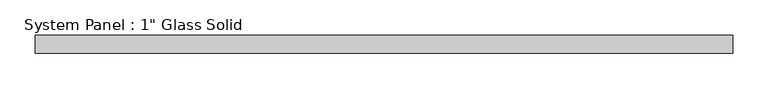
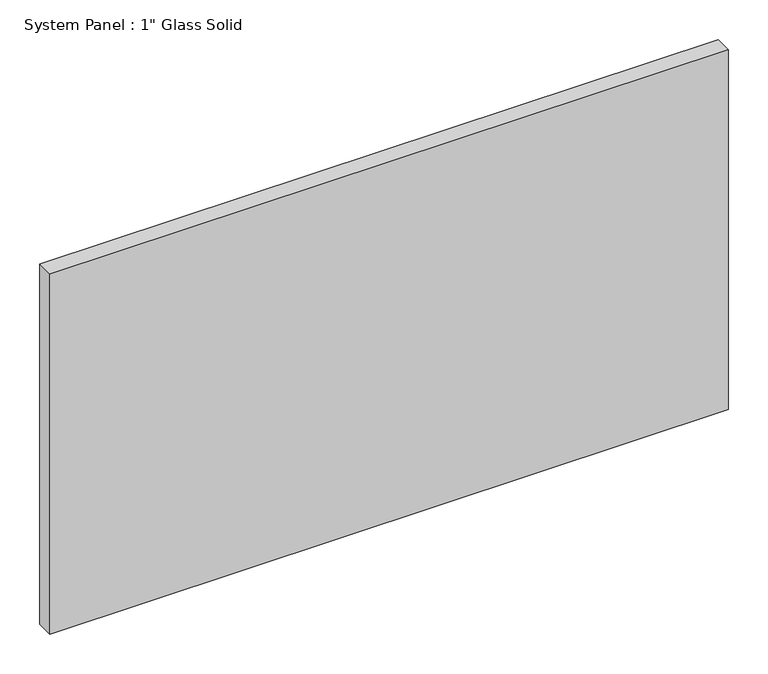
"""IFC4 building model written with IfcOpenShell, lengths in millimetres: plate geometry."""

from ifc_helpers import new_model, si_unit, origin, origin_with_axes, place, context, project, spatial, polyline, outline, extrude, source, transform, mapped, element, save


def plate_32afa398(model_context):
    return source(origin(), model_context, "Body", "SweptSolid", [
        extrude(outline(polyline([(492.125, -12.7), (-492.125, -12.7), (-492.125, 12.7), (492.125, 12.7), (492.125, -12.7)])), origin_with_axes(), (0.0, 0.0, 1.0), 552.45),
    ])


if __name__ == "__main__":
    model = new_model("IFC4")
    model_context = context("Model", 3, world=origin())
    ifc_project = project(units=[si_unit("LENGTHUNIT", "METRE", prefix="MILLI")], contexts=[model_context])
    site = spatial("IfcSite", under=ifc_project)
    building = spatial("IfcBuilding", under=site)
    placement = place(None, origin())
    plate_shape = plate_32afa398(model_context)
    element("IfcPlate", 1, ObjectType="System Panel : 1\" Glass Solid", at=placement, inside=building, context=model_context, shape_type="MappedRepresentation", body=[
        mapped(plate_shape, transform((0.0, 0.0, 0.0), x_axis=(1.0, 0.0, 0.0), y_axis=(0.0, 1.0, 0.0), z_axis=(0.0, 0.0, 1.0))),
    ])
    save(model, "model.ifc")
